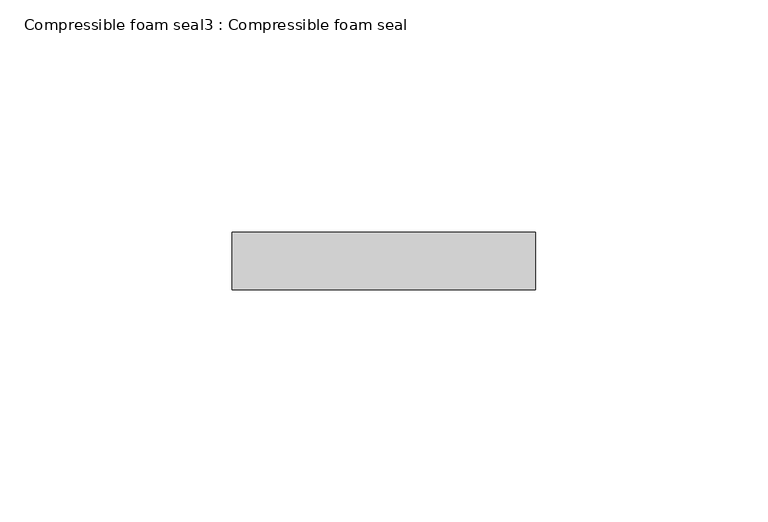
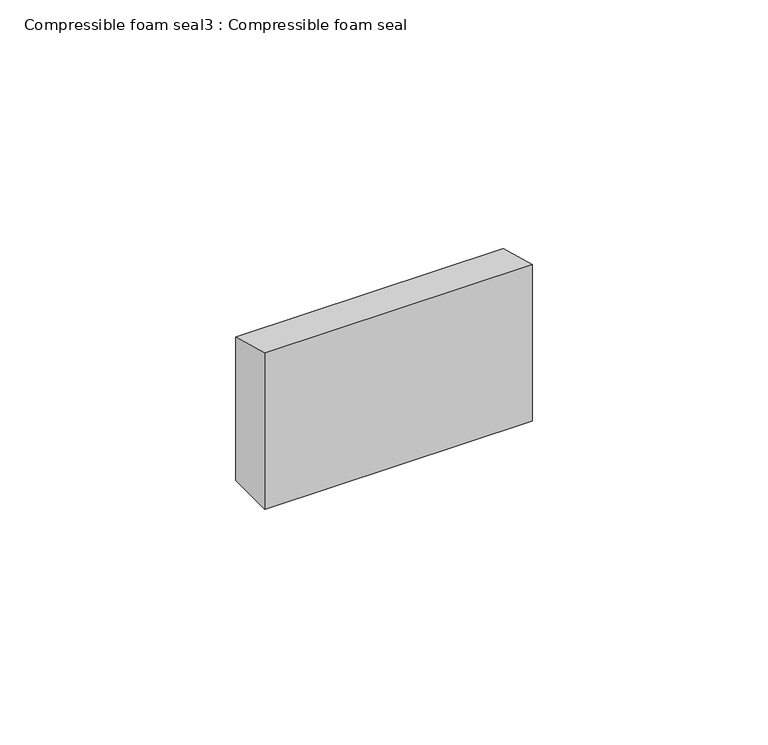
"""IFC4 building model written with IfcOpenShell, lengths in millimetres: proxy geometry, Compressible foam seal3 : Compressible foam seal."""

from ifc_helpers import new_model, si_unit, frame, origin, place, context, project, spatial, polyline, outline, extrude, source, transform, mapped, element, save


def compressible_foam_seal3_compressible_foam_seal_91cc8396(model_context):
    return source(origin(), model_context, "Body", "SweptSolid", [
        extrude(outline(polyline([(5659.8333305, 306.4551735), (5672.2344915, 303.1322924), (5672.2344915, 265.9589997), (5659.8333305, 265.9589997), (5659.8333305, 306.4551735)])), frame((16226.8688838, 0.0, 0.0), z_axis=(1.0, 0.0, 0.0), x_axis=(0.0, 1.0, 0.0)), (0.0, 0.0, 1.0), 65.4852948),
    ])


if __name__ == "__main__":
    model = new_model("IFC4")
    model_context = context("Model", 3, world=origin())
    ifc_project = project(units=[si_unit("LENGTHUNIT", "METRE", prefix="MILLI")], contexts=[model_context])
    site = spatial("IfcSite", under=ifc_project)
    building = spatial("IfcBuilding", under=site)
    placement = place(None, origin())
    compressible_foam_seal3_compressible_foam_seal_shape = compressible_foam_seal3_compressible_foam_seal_91cc8396(model_context)
    element("IfcBuildingElementProxy", 1, Name="Compressible foam seal3 : Compressible foam seal", ObjectType="Compressible foam seal3 : Compressible foam seal", at=placement, inside=building, context=model_context, shape_type="MappedRepresentation", body=[
        mapped(compressible_foam_seal3_compressible_foam_seal_shape, transform((0.0, 0.0, 0.0), x_axis=(1.0, 0.0, 0.0), y_axis=(0.0, 1.0, 0.0), z_axis=(0.0, 0.0, 1.0))),
    ])
    save(model, "model.ifc")
